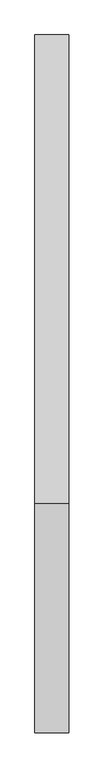
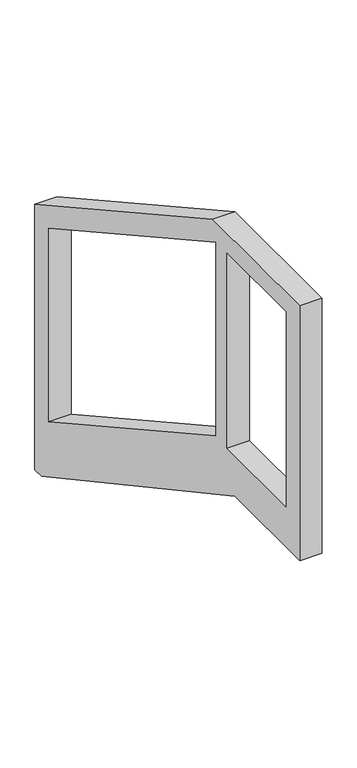
"""IFC4 building model written with IfcOpenShell, lengths in millimetres: railing geometry."""

from ifc_helpers import new_model, si_unit, frame, origin, place, context, project, spatial, polyline, outline, extrude, source, transform, mapped, element, save


def railing_5e602233(model_context):
    return source(origin(), model_context, "Body", "SweptSolid", [
        extrude(outline(polyline([(118040.5375648, 11377.7169484), (118040.5375648, 10329.9850633), (117996.5615232, 10329.9850633), (116744.966792, 11009.8636828), (116327.0929476, 11009.8636828), (116327.0929476, 12015.5326012), (116889.8876682, 12015.5326012), (118040.5375648, 11377.7169484)]), holes=[polyline([(116872.3136728, 11171.6452792), (117950.1345268, 10574.1994239), (117950.1345268, 11337.6509445), (116872.3136728, 11935.0967997), (116872.3136728, 11171.6452792)]), polyline([(116416.6796148, 11168.6580569), (116796.9282934, 11168.6580569), (116796.9282934, 11937.0772616), (116416.6796148, 11937.0772616), (116416.6796148, 11168.6580569)])]), frame((-11758.2651944, 0.0, 0.0), z_axis=(1.0, 0.0, 0.0), x_axis=(0.0, 1.0, 0.0)), (0.0, 0.0, 1.0), 83.4171854),
    ])


if __name__ == "__main__":
    model = new_model("IFC4")
    model_context = context("Model", 3, world=origin())
    ifc_project = project(units=[si_unit("LENGTHUNIT", "METRE", prefix="MILLI")], contexts=[model_context])
    site = spatial("IfcSite", under=ifc_project)
    building = spatial("IfcBuilding", under=site)
    placement = place(None, origin())
    railing_shape = railing_5e602233(model_context)
    element("IfcRailing", 1, at=placement, inside=building, context=model_context, shape_type="MappedRepresentation", body=[
        mapped(railing_shape, transform((0.0, 0.0, 0.0), x_axis=(1.0, 0.0, 0.0), y_axis=(0.0, 1.0, 0.0), z_axis=(0.0, 0.0, 1.0))),
    ])
    save(model, "model.ifc")
